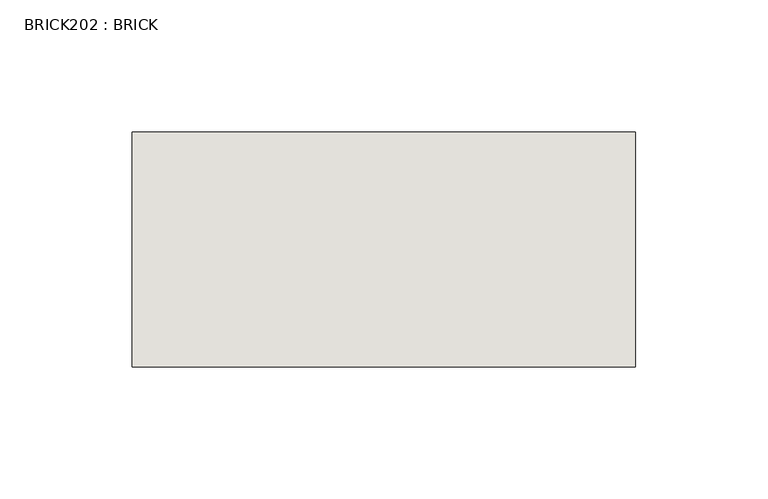
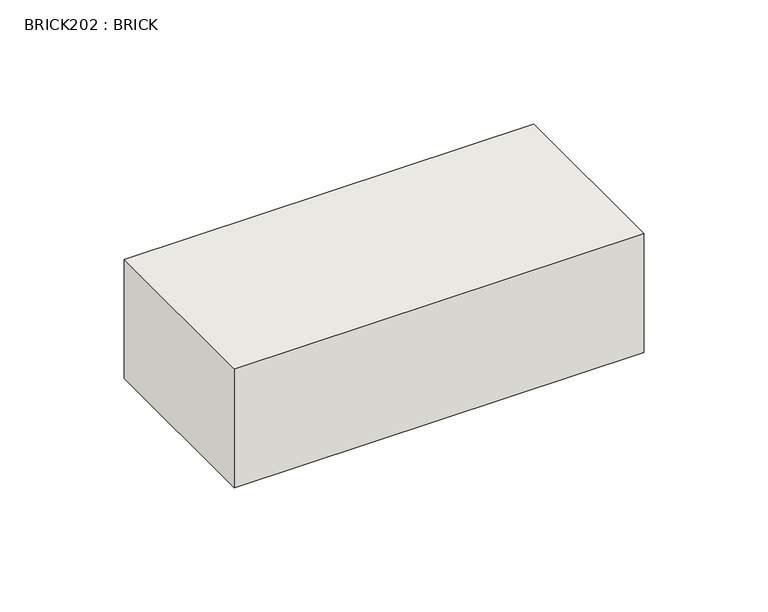
"""IFC4 building model written with IfcOpenShell, lengths in millimetres: wall geometry, BRICK202 : BRICK."""

from ifc_helpers import new_model, si_unit, frame, origin, place, context, project, spatial, polyline, outline, extrude, source, transform, mapped, element, save


def brick202_brick_f4806c47(model_context):
    return source(origin(), model_context, "Body", "SweptSolid", [
        extrude(outline(polyline([(-971.9316239, 3062.3923312), (-781.4316239, 3062.3923312), (-781.4316239, 2973.4923312), (-971.9316239, 2973.4923312), (-971.9316239, 3062.3923312)])), frame((0.0, 0.0, 74.3148438), z_axis=(0.0, 0.0, 1.0), x_axis=(1.0, 0.0, 0.0)), (0.0, 0.0, 1.0), 58.4398437),
    ])


if __name__ == "__main__":
    model = new_model("IFC4")
    model_context = context("Model", 3, world=origin())
    ifc_project = project(units=[si_unit("LENGTHUNIT", "METRE", prefix="MILLI")], contexts=[model_context])
    site = spatial("IfcSite", under=ifc_project)
    building = spatial("IfcBuilding", under=site)
    placement = place(None, origin())
    brick202_brick_shape = brick202_brick_f4806c47(model_context)
    element("IfcWall", 1, ObjectType="BRICK202 : BRICK", at=placement, inside=building, context=model_context, shape_type="MappedRepresentation", body=[
        mapped(brick202_brick_shape, transform((0.0, 0.0, 0.0), x_axis=(1.0, 0.0, 0.0), y_axis=(0.0, 1.0, 0.0), z_axis=(0.0, 0.0, 1.0))),
    ])
    save(model, "model.ifc")
